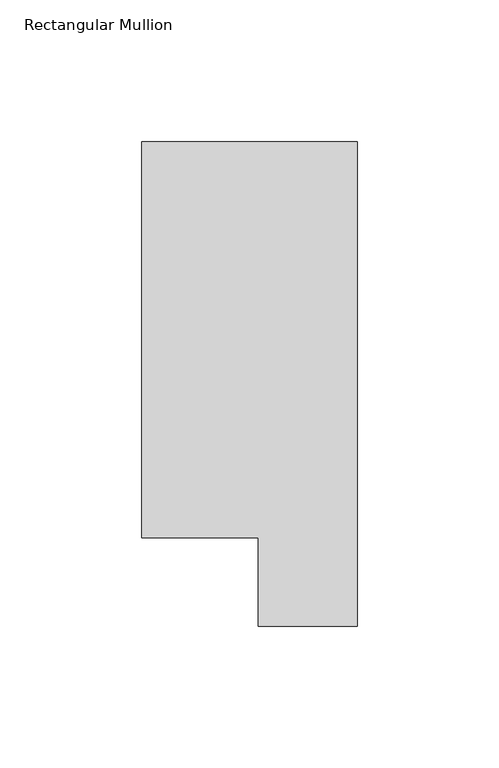
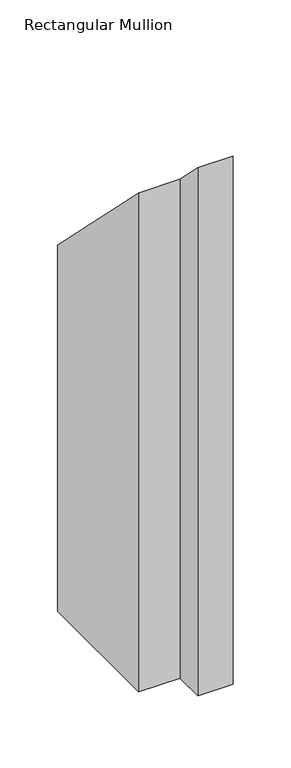
"""IFC4 building model written with IfcOpenShell, lengths in millimetres: member geometry, Rectangular Mullion."""

from ifc_helpers import new_model, si_unit, origin, place, context, project, spatial, faceted_brep, source, transform, mapped, element, save


def rectangular_mullion_bcdd087a(model_context):
    return source(origin(), model_context, "Body", "Brep", [
        faceted_brep([(-76.2, 190.7881317, -577.5618687), (0.0, 190.7881317, -577.5618687), (0.0, 19.5667317, -577.5618687), (-34.9123, 19.5667317, -577.5618687), (-34.9123, 50.8087306, -577.5618687), (-76.2, 50.8087306, -577.5618687), (-76.2, 50.8087306, -50.8087306), (-76.2, 190.7881317, -190.7881317), (-34.9123, 50.8087306, -50.8087306), (-34.9123, 19.5667317, -19.5667317), (0.0, 19.5667317, -19.5667317), (0.0, 190.7881317, -190.7881317)], [[[0, 1, 2, 3, 4, 5]], [[6, 7, 0, 5]], [[8, 6, 5, 4]], [[9, 8, 4, 3]], [[10, 9, 3, 2]], [[11, 10, 2, 1]], [[7, 11, 1, 0]], [[7, 6, 8, 9, 10, 11]]]),
    ])


if __name__ == "__main__":
    model = new_model("IFC4")
    model_context = context("Model", 3, world=origin())
    ifc_project = project(units=[si_unit("LENGTHUNIT", "METRE", prefix="MILLI")], contexts=[model_context])
    site = spatial("IfcSite", under=ifc_project)
    building = spatial("IfcBuilding", under=site)
    placement = place(None, origin())
    rectangular_mullion_shape = rectangular_mullion_bcdd087a(model_context)
    element("IfcMember", 1, ObjectType="Rectangular Mullion", at=placement, inside=building, context=model_context, shape_type="MappedRepresentation", body=[
        mapped(rectangular_mullion_shape, transform((0.0, 0.0, 0.0), x_axis=(1.0, 0.0, 0.0), y_axis=(0.0, 1.0, 0.0), z_axis=(0.0, 0.0, 1.0))),
    ])
    save(model, "model.ifc")
